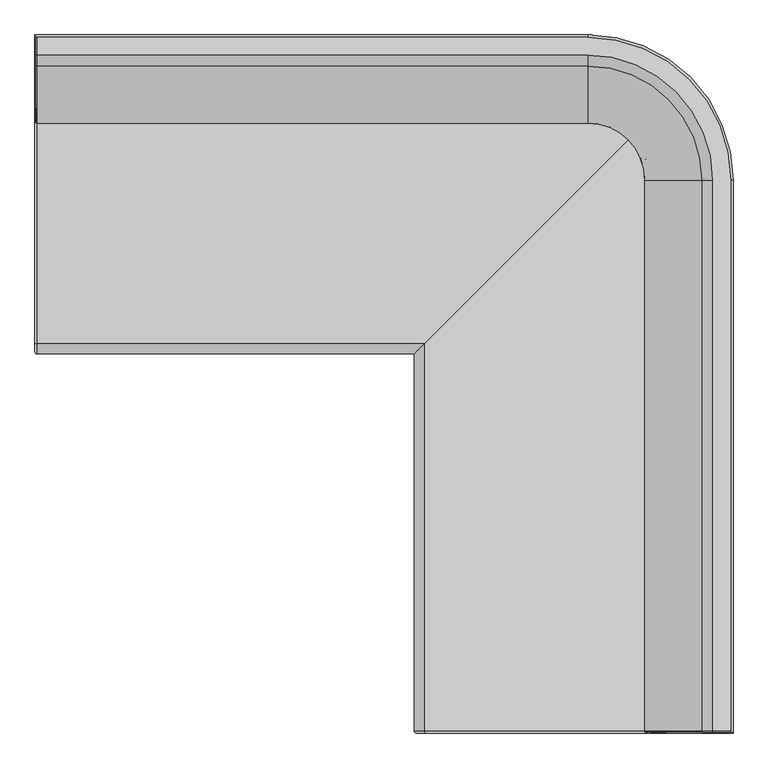
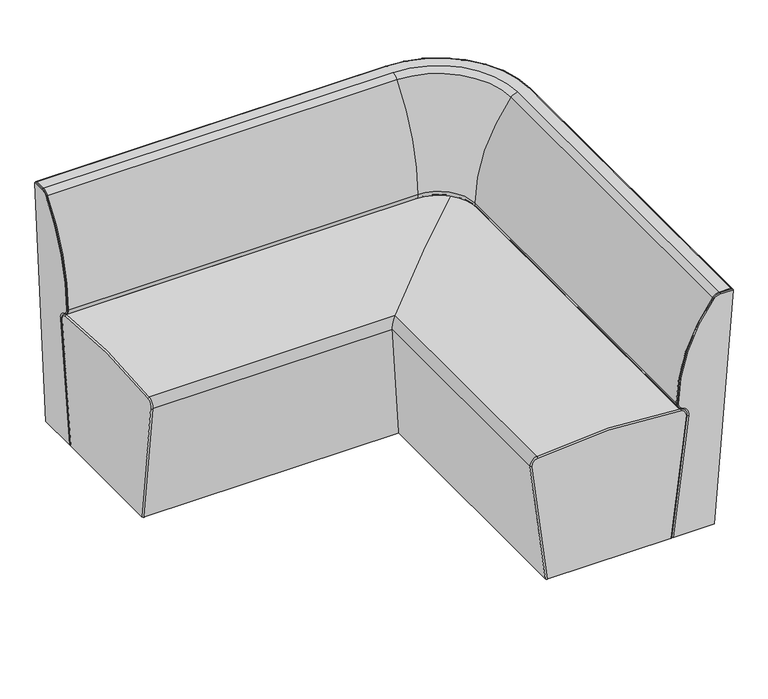
"""IFC4 building model written with IfcOpenShell, lengths in millimetres: furniture geometry."""

from ifc_helpers import new_model, si_unit, point, frame, origin, place, context, project, spatial, polyline, circle_curve, ellipse_curve, trimmed, source, transform, mapped, element, save
from ifc_brep_helpers import plane_surface, cylinder_surface, revolved_surface, advanced_brep


def furniture_d615f95f(model_context):
    return source(origin(), model_context, "Body", "AdvancedBrep", [
        advanced_brep(
        [(-399.9975131, 200.6246209, 29.9999993), (-399.9975131, -200.6246209, 29.9999993), (-399.9975131, -250.4771611, 434.6009414), (-399.9975131, -233.381042, 456.8562391), (-399.9975131, 233.3810207, 456.8556599), (-399.9975131, 250.4770906, 434.600369), (433.5008898, -205.6624322, 29.9999993), (383.7236884, -255.4396336, 433.9894948), (-394.9975131, -255.4396336, 433.9894948), (-394.9975131, -205.6624322, 29.9999993), (405.0938373, -234.0694847, 461.808617), (-394.9975131, -234.0694847, 461.808617), (873.2327977, 234.0694757, 461.8080361), (-394.9975131, 234.0694757, 461.8080361), (894.602885, 255.439563, 433.9889224), (844.8257542, 205.6624322, 29.9999993), (-394.9975131, 205.6624322, 29.9999993), (-394.9975131, 255.439563, 433.9889224), (844.8257542, -1034.1640683, 29.9999993), (839.7879429, -1039.1640683, 29.9999993), (438.5387011, -1039.1640683, 29.9999993), (433.5008898, -1034.1640683, 29.9999993), (889.6404126, -1039.1640683, 434.600369), (872.5443427, -1039.1640683, 456.8556599), (405.78228, -1039.1640683, 456.8562391), (388.6861609, -1039.1640683, 434.6009414), (383.7236884, -1034.1640683, 433.9894948), (405.0938373, -1034.1640683, 461.808617), (873.2327977, -1034.1640683, 461.8080361), (894.602885, -1034.1640683, 433.9889224)],
        [
            (0, 1),
            (1, 2),
            (2, 3, circle_curve(frame((-399.9975131, -230.6272712, 437.0467276), z_axis=(-1.0, 0.0, 0.0), x_axis=(0.0, -0.13768854289434776, 0.9904755752443527)), 20.0)),
            (3, 4, circle_curve(frame((-399.9975131, -0.002094, -1221.9773294), z_axis=(-1.0, 0.0, 0.0), x_axis=(0.0, 0.1376910010934841, 0.9904752335206944)), 1694.9772519)),
            (4, 5, circle_curve(frame((-399.9975131, 230.6272006, 437.0461553), z_axis=(-1.0, 0.0, 0.0), x_axis=(0.0, 0.9924944955138317, -0.12228931422959535)), 20.0)),
            (5, 0),
            (6, 7),
            (7, 8),
            (8, 9),
            (9, 6),
            (7, 10, ellipse_curve(frame((408.5360508, -230.6272712, 437.0467276), z_axis=(-0.7071067811865469, 0.707106781186548, 0.0), x_axis=(-0.7071067811865481, -0.7071067811865468, 0.0)), 35.3553391, 25.0)),
            (10, 11),
            (11, 8, circle_curve(frame((-394.9975131, -230.6272712, 437.0467276), z_axis=(1.0, 0.0, 0.0), x_axis=(0.0, -1.0, 0.0)), 25.0)),
            (10, 12, ellipse_curve(frame((639.161228, -0.002094, -1221.9773294), z_axis=(-0.7071067811865469, 0.707106781186548, 0.0), x_axis=(-0.7071067811865481, -0.7071067811865468, 0.0)), 2404.1308853, 1699.9772519)),
            (12, 13),
            (13, 11, circle_curve(frame((-394.9975131, -0.002094, -1221.9773294), z_axis=(1.0, 0.0, 0.0), x_axis=(0.0, -1.0, 0.0)), 1699.9772519)),
            (14, 15),
            (15, 16),
            (16, 17),
            (17, 14),
            (15, 18),
            (18, 19, ellipse_curve(frame((839.7879429, -1034.1640683, 29.9999993), z_axis=(0.0, 0.0, -1.0), x_axis=(-0.9999999999999999, 0.0, 0.0)), 5.0378113, 5.0)),
            (19, 20),
            (20, 21, ellipse_curve(frame((438.5387011, -1034.1640683, 29.9999993), z_axis=(0.0, 0.0, -1.0), x_axis=(-1.0, 0.0, 0.0)), 5.0378113, 5.0)),
            (21, 6),
            (9, 1, ellipse_curve(frame((-394.9975131, -200.6246209, 29.9999993), z_axis=(0.0, 0.0, -1.0), x_axis=(0.0, 0.9999999999999999, 0.0)), 5.0378113, 5.0)),
            (0, 16, ellipse_curve(frame((-394.9975131, 200.6246209, 29.9999993), z_axis=(0.0, 0.0, -1.0), x_axis=(0.0, 1.0, 0.0)), 5.0378113, 5.0)),
            (19, 22),
            (22, 23, circle_curve(frame((869.7905226, -1039.1640683, 437.0461553), z_axis=(0.0, -1.0, 0.0), x_axis=(0.1376910010939182, 0.0, 0.990475233520634)), 20.0)),
            (23, 24, circle_curve(frame((639.161228, -1039.1640683, -1221.9773294), z_axis=(0.0, -1.0, 0.0), x_axis=(-0.13768854289479135, 0.0, 0.990475575244291)), 1694.9772519)),
            (24, 25, circle_curve(frame((408.5360508, -1039.1640683, 437.0467276), z_axis=(0.0, -1.0, 0.0), x_axis=(-0.9924944955138303, 0.0, -0.12228931422960694)), 20.0)),
            (25, 20),
            (21, 26),
            (26, 7),
            (26, 27, circle_curve(frame((408.5360508, -1034.1640683, 437.0467276), z_axis=(0.0, 1.0, 0.0), x_axis=(-1.0, 0.0, 0.0)), 25.0)),
            (27, 10),
            (27, 28, circle_curve(frame((639.161228, -1034.1640683, -1221.9773294), z_axis=(0.0, 1.0, 0.0), x_axis=(-1.0, 0.0, 0.0)), 1699.9772519)),
            (28, 12),
            (14, 29),
            (29, 18),
            (12, 14, ellipse_curve(frame((869.7905226, 230.6272006, 437.0461553), z_axis=(-0.7071067811865469, 0.707106781186548, 0.0), x_axis=(-0.7071067811865481, -0.7071067811865468, 0.0)), 35.3553391, 25.0)),
            (17, 13, circle_curve(frame((-394.9975131, 230.6272006, 437.0461553), z_axis=(1.0, 0.0, 0.0), x_axis=(0.0, -1.0, 0.0)), 25.0)),
            (28, 29, circle_curve(frame((869.7905226, -1034.1640683, 437.0461553), z_axis=(0.0, 1.0, 0.0), x_axis=(-1.0, 0.0, 0.0)), 25.0)),
            (25, 26, circle_curve(frame((388.6861609, -1034.1640683, 434.6009414), z_axis=(0.12228931422960015, 0.0, -0.9924944955138312), x_axis=(-0.9924944955138312, 0.0, -0.12228931422960015)), 5.0)),
            (24, 27, circle_curve(frame((405.78228, -1034.1640683, 456.8562391), z_axis=(-0.9904755752442923, 0.0, -0.13768854289478216), x_axis=(-0.13768854289478216, 0.0, 0.9904755752442923)), 5.0)),
            (23, 28, circle_curve(frame((872.5443427, -1034.1640683, 456.8556599), z_axis=(-0.9904752335206947, 0.0, 0.13769100109348248), x_axis=(0.13769100109348248, 0.0, 0.9904752335206947)), 5.0)),
            (22, 29, circle_curve(frame((889.6404126, -1034.1640683, 434.600369), z_axis=(0.12228931422960554, 0.0, 0.9924944955138304), x_axis=(0.9924944955138304, 0.0, -0.12228931422960554)), 5.0)),
            (5, 17, circle_curve(frame((-394.9975131, 250.4770906, 434.600369), z_axis=(0.0, -0.12228931422960013, -0.9924944955138313), x_axis=(0.0, 0.9924944955138313, -0.12228931422960013)), 5.0)),
            (4, 13, circle_curve(frame((-394.9975131, 233.3810207, 456.8556599), z_axis=(0.0, 0.9904752335206188, -0.13769100109402907), x_axis=(0.0, 0.13769100109402907, 0.9904752335206188)), 5.0)),
            (3, 11, circle_curve(frame((-394.9975131, -233.381042, 456.8562391), z_axis=(0.0, 0.9904755752442918, 0.13768854289478633), x_axis=(0.0, -0.13768854289478633, 0.9904755752442918)), 5.0)),
            (2, 8, circle_curve(frame((-394.9975131, -250.4771611, 434.6009414), z_axis=(0.0, -0.12228931422959136, 0.9924944955138322), x_axis=(0.0, -0.9924944955138322, -0.12228931422959136)), 5.0)),
        ],
        [
            plane_surface(frame((-399.9975131, 0.0, 0.0), z_axis=(-1.0, 0.0, 0.0), x_axis=(0.0, 0.0, 1.0))),
            plane_surface(frame((-399.9975131, -205.6624322, 29.9999993), z_axis=(0.0, -0.9924944955138312, -0.12228931422960011), x_axis=(1.0, 0.0, 0.0))),
            cylinder_surface(frame((-399.9975131, -230.6272712, 437.0467276), z_axis=(-1.0, 0.0, 0.0), x_axis=(0.0, -1.0, 0.0)), 25.0),
            cylinder_surface(frame((-399.9975131, -0.002094, -1221.9773294), z_axis=(-1.0, 0.0, 0.0), x_axis=(0.0, -1.0, 0.0)), 1699.9772519),
            plane_surface(frame((-399.9975131, 255.439563, 433.9889224), z_axis=(0.0, 0.9924944955138312, -0.12228931422960011), x_axis=(1.0, 0.0, 0.0))),
            plane_surface(frame((-399.9975131, 205.6624322, 29.9999993), z_axis=(0.0, 0.0, -1.0), x_axis=(1.0, 0.0, 0.0))),
            plane_surface(frame((639.163322, -1039.1640683, 0.0), z_axis=(0.0, -1.0, 0.0), x_axis=(0.0, 0.0, 1.0))),
            plane_surface(frame((433.5008898, -205.6624322, 29.9999993), z_axis=(-0.9924944955138312, 0.0, -0.12228931422960011), x_axis=(0.0, -1.0, 0.0))),
            cylinder_surface(frame((408.5360508, 0.0, 437.0467276), z_axis=(0.0, 1.0, 0.0), x_axis=(-1.0, 0.0, 0.0)), 25.0),
            cylinder_surface(frame((639.161228, 0.0, -1221.9773294), z_axis=(0.0, 1.0, 0.0), x_axis=(-1.0, 0.0, 0.0)), 1699.9772519),
            plane_surface(frame((894.602885, 255.439563, 433.9889224), z_axis=(0.9924944955138312, 0.0, -0.12228931422960011), x_axis=(0.0, -1.0, 0.0))),
            cylinder_surface(frame((-399.9975131, 230.6272006, 437.0461553), z_axis=(-1.0, 0.0, 0.0), x_axis=(0.0, -1.0, 0.0)), 25.0),
            cylinder_surface(frame((869.7905226, 0.0, 437.0461553), z_axis=(0.0, 1.0, 0.0), x_axis=(-1.0, 0.0, 0.0)), 25.0),
            cylinder_surface(frame((440.0476729, -1034.1640683, 17.7532532), z_axis=(-0.12228931422960015, 0.0, 0.9924944955138312), x_axis=(-0.9924944955138312, 0.0, -0.12228931422960015)), 5.0),
            revolved_surface(trimmed(ellipse_curve(frame((388.6861609, -1034.1640683, 434.6009414), z_axis=(0.12228931422960695, 0.0, -0.9924944955138303), x_axis=(-0.9924944955138303, 0.0, -0.12228931422960695)), 5.0, 5.0), [point((388.6861609, -1039.1640683, 434.6009414))], [point((383.7236884, -1034.1640683, 433.9894948))], True, "CARTESIAN"), (408.5360508, -1039.1640683, 437.0467276), (0.0, 1.0, 0.0)),
            revolved_surface(trimmed(ellipse_curve(frame((405.78228, -1034.1640683, 456.8562391), z_axis=(-0.990475575244291, 0.0, -0.13768854289479157), x_axis=(-0.13768854289479157, 0.0, 0.990475575244291)), 5.0, 5.0), [point((405.78228, -1039.1640683, 456.8562391))], [point((405.0938373, -1034.1640683, 461.808617))], True, "CARTESIAN"), (639.161228, -1039.1640683, -1221.9773294), (0.0, 1.0, 0.0)),
            revolved_surface(trimmed(ellipse_curve(frame((872.5443427, -1034.1640683, 456.8556599), z_axis=(-0.990475233520634, 0.0, 0.13769100109391827), x_axis=(0.13769100109391827, 0.0, 0.990475233520634)), 5.0, 5.0), [point((872.5443427, -1039.1640683, 456.8556599))], [point((873.2327977, -1034.1640683, 461.8080361))], True, "CARTESIAN"), (869.7905226, -1039.1640683, 437.0461553), (0.0, 1.0, 0.0)),
            cylinder_surface(frame((889.6404126, -1034.1640683, 434.600369), z_axis=(-0.12228931422960028, 0.0, -0.9924944955138312), x_axis=(0.9924944955138312, 0.0, -0.12228931422960028)), 5.0),
            cylinder_surface(frame((-394.9975131, 197.2812389, 2.8652634), z_axis=(0.0, 0.12228931422960013, 0.9924944955138313), x_axis=(0.0, 0.9924944955138313, -0.12228931422960013)), 5.0),
            revolved_surface(trimmed(ellipse_curve(frame((-394.9975131, 250.4770906, 434.600369), z_axis=(0.0, -0.12228931422959534, -0.9924944955138317), x_axis=(0.0, 0.9924944955138317, -0.12228931422959534)), 5.0, 5.0), [point((-399.9975131, 250.4770906, 434.600369))], [point((-394.9975131, 255.439563, 433.9889224))], True, "CARTESIAN"), (-399.9975131, 230.6272006, 437.0461553), (1.0, 0.0, 0.0)),
            revolved_surface(trimmed(ellipse_curve(frame((-394.9975131, 233.3810207, 456.8556599), z_axis=(0.0, 0.9904752335206944, -0.13769100109348406), x_axis=(0.0, 0.13769100109348406, 0.9904752335206944)), 5.0, 5.0), [point((-399.9975131, 233.3810207, 456.8556599))], [point((-394.9975131, 234.0694757, 461.8080361))], True, "CARTESIAN"), (-399.9975131, -0.002094, -1221.9773294), (1.0, 0.0, 0.0)),
            revolved_surface(trimmed(ellipse_curve(frame((-394.9975131, -233.381042, 456.8562391), z_axis=(0.0, 0.9904755752443527, 0.13768854289434787), x_axis=(0.0, -0.13768854289434787, 0.9904755752443527)), 5.0, 5.0), [point((-399.9975131, -233.381042, 456.8562391))], [point((-394.9975131, -234.0694847, 461.808617))], True, "CARTESIAN"), (-399.9975131, -230.6272712, 437.0467276), (1.0, 0.0, 0.0)),
            cylinder_surface(frame((-394.9975131, -250.4771611, 434.6009414), z_axis=(0.0, 0.12228931422960028, -0.9924944955138312), x_axis=(0.0, -0.9924944955138312, -0.12228931422960028)), 5.0),
        ],
        [
            (0, [[1, 2, 3, 4, 5, 6]]),
            (1, [[7, 8, 9, 10]]),
            (2, [[11, 12, 13, -8]]),
            (3, [[14, 15, 16, -12]]),
            (4, [[17, 18, 19, 20]]),
            (5, [[21, 22, 23, 24, 25, -10, 26, -1, 27, -18]]),
            (6, [[-23, 28, 29, 30, 31, 32]]),
            (7, [[-7, -25, 33, 34]]),
            (8, [[-11, -34, 35, 36]]),
            (9, [[-14, -36, 37, 38]]),
            (10, [[-17, 39, 40, -21]]),
            (11, [[41, -20, 42, -15]]),
            (12, [[-41, -38, 43, -39]]),
            (13, [[44, -33, -24, -32]]),
            (14, [[-44, -31, 45, -35]]),
            (15, [[-45, -30, 46, -37]]),
            (16, [[-46, -29, 47, -43]]),
            (17, [[-47, -28, -22, -40]]),
            (18, [[48, -19, -27, -6]]),
            (19, [[-48, -5, 49, -42]]),
            (20, [[-49, -4, 50, -16]]),
            (21, [[-50, -3, 51, -13]]),
            (22, [[-51, -2, -26, -9]]),
        ],
    ),
        advanced_brep(
        [(742.9848587, 398.8362795, 819.0000019), (1038.0002721, 103.820866, 819.0000019), (1038.0002721, -1037.1640683, 819.0000019), (1001.4091772, -1037.1640683, 819.0000019), (1001.4091772, 103.820866, 819.0000019), (742.9848587, 362.2451846, 819.0000019), (-398.0, 362.2451846, 819.0000019), (-398.0, 398.8362795, 819.0000019), (742.9848587, 339.7994702, 808.3627333), (-398.0, 339.7994702, 808.3627333), (742.9848587, 222.5242259, 484.6817416), (-398.0, 222.5242259, 484.6817416), (742.9848587, 238.8931646, 461.6980838), (-398.0, 238.8931646, 461.6980838), (742.9848587, 238.5752492, 460.7499647), (-395.0, 238.5752492, 460.7499647), (742.9848587, 221.5242714, 484.6912749), (-395.0, 221.5242714, 484.6912749), (742.9848587, 339.02548, 808.9959309), (-395.0, 339.02548, 808.9959309), (742.9848587, 362.2451846, 820.0000019), (-395.0, 362.2451846, 820.0000019), (1001.4091772, 103.820866, 820.0000019), (1001.4091772, -1034.1640683, 820.0000019), (1038.0002721, -1034.1640683, 820.0000019), (1038.0002721, 103.820866, 820.0000019), (742.9848587, 398.8362795, 820.0000019), (-395.0, 398.8362795, 820.0000019), (978.9634628, 103.820866, 808.3627333), (861.6882185, 103.820866, 484.6817416), (878.0571572, 103.820866, 461.6980838), (877.7392418, 103.820866, 460.7499647), (860.688264, 103.820866, 484.6912749), (978.1894726, 103.820866, 808.9959309), (978.9634628, -1037.1640683, 808.3627333), (861.6882185, -1037.1640683, 484.6817416), (878.0571572, -1037.1640683, 461.6980838), (877.7392418, -1034.1640683, 460.7499647), (860.688264, -1034.1640683, 484.6912749), (978.1894726, -1034.1640683, 808.9959309)],
        [
            (0, 1, circle_curve(frame((742.9848587, 103.820866, 819.0000019), z_axis=(0.0, 0.0, -1.0), x_axis=(0.0, 1.0, 0.0)), 295.0154134)),
            (1, 2),
            (2, 3),
            (3, 4),
            (4, 5, circle_curve(frame((742.9848587, 103.820866, 819.0000019), z_axis=(0.0, 0.0, 1.0), x_axis=(0.0, 1.0, 0.0)), 258.4243185)),
            (5, 6),
            (6, 7),
            (7, 0),
            (5, 8, circle_curve(frame((742.9848587, 362.2451846, 790.0000019), z_axis=(1.0, 0.0, 0.0), x_axis=(0.0, -1.0, 0.0)), 29.0)),
            (8, 9),
            (9, 6, circle_curve(frame((-398.0, 362.2451846, 790.0000019), z_axis=(-1.0, 0.0, 0.0), x_axis=(0.0, -1.0, 0.0)), 29.0)),
            (8, 10, circle_curve(frame((742.9848587, 741.4993946, 479.7339502), z_axis=(1.0, 0.0, 0.0), x_axis=(0.0, -1.0, 0.0)), 518.9987537)),
            (10, 11),
            (11, 9, circle_curve(frame((-398.0, 741.4993946, 479.7339502), z_axis=(-1.0, 0.0, 0.0), x_axis=(0.0, -1.0, 0.0)), 518.9987537)),
            (10, 12, circle_curve(frame((742.9848587, 246.5231353, 484.4529414), z_axis=(1.0, 0.0, 0.0), x_axis=(0.0, -1.0, 0.0)), 24.0)),
            (12, 13),
            (13, 11, circle_curve(frame((-398.0, 246.5231353, 484.4529414), z_axis=(-1.0, 0.0, 0.0), x_axis=(0.0, -1.0, 0.0)), 24.0)),
            (12, 14),
            (14, 15),
            (15, 13, circle_curve(frame((-395.0, 240.1648264, 465.49056), z_axis=(0.0, 0.9481190698277024, -0.31791544383538883), x_axis=(-1.0, 0.0, 0.0)), 5.0)),
            (14, 16, circle_curve(frame((742.9848587, 246.5231353, 484.4529414), z_axis=(-1.0, 0.0, 0.0), x_axis=(0.0, -1.0, 0.0)), 25.0)),
            (16, 17),
            (17, 15, circle_curve(frame((-395.0, 246.5231353, 484.4529414), z_axis=(1.0, 0.0, 0.0), x_axis=(0.0, -1.0, 0.0)), 25.0)),
            (16, 18, circle_curve(frame((742.9848587, 741.4993946, 479.7339502), z_axis=(-1.0, 0.0, 0.0), x_axis=(0.0, -1.0, 0.0)), 519.9987537)),
            (18, 19),
            (19, 17, circle_curve(frame((-395.0, 741.4993946, 479.7339502), z_axis=(1.0, 0.0, 0.0), x_axis=(0.0, -1.0, 0.0)), 519.9987537)),
            (18, 20, circle_curve(frame((742.9848587, 362.2451846, 790.0000019), z_axis=(-1.0, 0.0, 0.0), x_axis=(0.0, -1.0, 0.0)), 30.0)),
            (20, 21),
            (21, 19, circle_curve(frame((-395.0, 362.2451846, 790.0000019), z_axis=(1.0, 0.0, 0.0), x_axis=(0.0, -1.0, 0.0)), 30.0)),
            (20, 22, circle_curve(frame((742.9848587, 103.820866, 820.0000019), z_axis=(0.0, 0.0, -1.0), x_axis=(0.0, 1.0, 0.0)), 258.4243185)),
            (22, 23),
            (23, 24),
            (24, 25),
            (25, 26, circle_curve(frame((742.9848587, 103.820866, 820.0000019), z_axis=(0.0, 0.0, 1.0), x_axis=(0.0, 1.0, 0.0)), 295.0154134)),
            (26, 27),
            (27, 21),
            (26, 0),
            (7, 27, circle_curve(frame((-395.0, 398.8362795, 815.0000019), z_axis=(0.0, 1.0, 0.0), x_axis=(-1.0, 0.0, 0.0)), 5.0)),
            (4, 28, circle_curve(frame((1001.4091772, 103.820866, 790.0000019), z_axis=(0.0, -1.0, 0.0), x_axis=(-1.0, 0.0, 0.0)), 29.0)),
            (28, 8, circle_curve(frame((742.9848587, 103.820866, 808.3627333), z_axis=(0.0, 0.0, 1.0), x_axis=(0.0, 1.0, 0.0)), 235.9786041)),
            (28, 29, circle_curve(frame((1380.6633872, 103.820866, 479.7339502), z_axis=(0.0, -1.0, 0.0), x_axis=(-1.0, 0.0, 0.0)), 518.9987537)),
            (29, 10, circle_curve(frame((742.9848587, 103.820866, 484.6817416), z_axis=(0.0, 0.0, 1.0), x_axis=(0.0, 1.0, 0.0)), 118.7033599)),
            (29, 30, circle_curve(frame((885.6871279, 103.820866, 484.4529414), z_axis=(0.0, -1.0, 0.0), x_axis=(-1.0, 0.0, 0.0)), 24.0)),
            (30, 12, circle_curve(frame((742.9848587, 103.820866, 461.6980838), z_axis=(0.0, 0.0, 1.0), x_axis=(0.0, 1.0, 0.0)), 135.0722986)),
            (30, 31),
            (31, 14, circle_curve(frame((742.9848587, 103.820866, 460.7499647), z_axis=(0.0, 0.0, 1.0), x_axis=(0.0, 1.0, 0.0)), 134.7543832)),
            (31, 32, circle_curve(frame((885.6871279, 103.820866, 484.4529414), z_axis=(0.0, 1.0, 0.0), x_axis=(-1.0, 0.0, 0.0)), 25.0)),
            (32, 16, circle_curve(frame((742.9848587, 103.820866, 484.6912749), z_axis=(0.0, 0.0, 1.0), x_axis=(0.0, 1.0, 0.0)), 117.7034053)),
            (32, 33, circle_curve(frame((1380.6633872, 103.820866, 479.7339502), z_axis=(0.0, 1.0, 0.0), x_axis=(-1.0, 0.0, 0.0)), 519.9987537)),
            (33, 18, circle_curve(frame((742.9848587, 103.820866, 808.9959309), z_axis=(0.0, 0.0, 1.0), x_axis=(0.0, 1.0, 0.0)), 235.204614)),
            (33, 22, circle_curve(frame((1001.4091772, 103.820866, 790.0000019), z_axis=(0.0, 1.0, 0.0), x_axis=(-1.0, 0.0, 0.0)), 30.0)),
            (25, 1),
            (3, 34, circle_curve(frame((1001.4091772, -1037.1640683, 790.0000019), z_axis=(0.0, -1.0, 0.0), x_axis=(-1.0, 0.0, 0.0)), 29.0)),
            (34, 28),
            (34, 35, circle_curve(frame((1380.6633872, -1037.1640683, 479.7339502), z_axis=(0.0, -1.0, 0.0), x_axis=(-1.0, 0.0, 0.0)), 518.9987537)),
            (35, 29),
            (35, 36, circle_curve(frame((885.6871279, -1037.1640683, 484.4529414), z_axis=(0.0, -1.0, 0.0), x_axis=(-1.0, 0.0, 0.0)), 24.0)),
            (36, 30),
            (36, 37, circle_curve(frame((879.328819, -1034.1640683, 465.49056), z_axis=(0.9481190698276988, 0.0, -0.31791544383539977), x_axis=(0.0, -1.0, 0.0)), 5.0)),
            (37, 31),
            (37, 38, circle_curve(frame((885.6871279, -1034.1640683, 484.4529414), z_axis=(0.0, 1.0, 0.0), x_axis=(-1.0, 0.0, 0.0)), 25.0)),
            (38, 32),
            (38, 39, circle_curve(frame((1380.6633872, -1034.1640683, 479.7339502), z_axis=(0.0, 1.0, 0.0), x_axis=(-1.0, 0.0, 0.0)), 519.9987537)),
            (39, 33),
            (39, 23, circle_curve(frame((1001.4091772, -1034.1640683, 790.0000019), z_axis=(0.0, 1.0, 0.0), x_axis=(-1.0, 0.0, 0.0)), 30.0)),
            (24, 2, circle_curve(frame((1038.0002721, -1034.1640683, 815.0000019), z_axis=(1.0, 0.0, 0.0), x_axis=(0.0, -1.0, 0.0)), 5.0)),
            (17, 11, circle_curve(frame((-395.0, 226.5240442, 484.6436082), z_axis=(0.0, -0.009533339590970524, -0.9999545566855744), x_axis=(-1.0, 0.0, 0.0)), 5.0)),
            (19, 9, circle_curve(frame((-395.0, 342.8954308, 805.8299427), z_axis=(0.0, -0.6331976342837959, -0.7739901523516978), x_axis=(-1.0, 0.0, 0.0)), 5.0)),
            (21, 6, circle_curve(frame((-395.0, 362.2451846, 815.0000019), z_axis=(0.0, -1.0, 0.0), x_axis=(-1.0, 0.0, 0.0)), 5.0)),
            (23, 3, circle_curve(frame((1001.4091772, -1034.1640683, 815.0000019), z_axis=(1.0, 0.0, 0.0), x_axis=(0.0, -1.0, 0.0)), 5.0)),
            (39, 34, circle_curve(frame((982.0594234, -1034.1640683, 805.8299427), z_axis=(0.6331976342838822, 0.0, 0.7739901523516272), x_axis=(0.0, -1.0, 0.0)), 5.0)),
            (38, 35, circle_curve(frame((865.6880368, -1034.1640683, 484.6436082), z_axis=(0.009533339590976297, 0.0, 0.9999545566855741), x_axis=(0.0, -1.0, 0.0)), 5.0)),
        ],
        [
            plane_surface(frame((-400.0, 398.8362795, 819.0000019), z_axis=(0.0, 0.0, -1.0), x_axis=(1.0, 0.0, 0.0))),
            revolved_surface(polyline([(742.9848587000001, 333.2451846, 790.0000019), (-398.0, 333.2451846, 790.0000019)]), (-400.0, 362.2451846, 790.0000019), (1.0, 0.0, 0.0)),
            revolved_surface(polyline([(742.9848587000001, 222.5006409, 479.7339502), (-398.0, 222.5006409, 479.7339502)]), (-400.0, 741.4993946, 479.7339502), (1.0, 0.0, 0.0)),
            revolved_surface(polyline([(742.9848587000001, 222.5231353, 484.4529414), (-398.0, 222.5231353, 484.4529414)]), (-400.0, 246.5231353, 484.4529414), (1.0, 0.0, 0.0)),
            plane_surface(frame((-400.0, 238.8931646, 461.6980838), z_axis=(0.0, 0.9481190698277011, -0.317915443835393), x_axis=(1.0, 0.0, 0.0))),
            cylinder_surface(frame((-400.0, 246.5231353, 484.4529414), z_axis=(-1.0, 0.0, 0.0), x_axis=(0.0, -1.0, 0.0)), 25.0),
            cylinder_surface(frame((-400.0, 741.4993946, 479.7339502), z_axis=(-1.0, 0.0, 0.0), x_axis=(0.0, -1.0, 0.0)), 519.9987537),
            cylinder_surface(frame((-400.0, 362.2451846, 790.0000019), z_axis=(-1.0, 0.0, 0.0), x_axis=(0.0, -1.0, 0.0)), 30.0),
            plane_surface(frame((-400.0, 362.2451846, 820.0000019), z_axis=(0.0, 0.0, 1.0), x_axis=(1.0, 0.0, 0.0))),
            plane_surface(frame((-400.0, 398.8362795, 820.0000019), z_axis=(0.0, 1.0, 0.0), x_axis=(1.0, 0.0, 0.0))),
            revolved_surface(trimmed(ellipse_curve(frame((742.9848587, 362.2451846, 790.0000019), z_axis=(1.0, 0.0, 0.0), x_axis=(0.0, -1.0, 0.0)), 29.0, 29.0), [point((742.9848587, 362.2451846, 819.0000019))], [point((742.9848587, 339.7994702, 808.3627333))], True, "CARTESIAN"), (742.9848587, 103.820866, 0.0), (0.0, 0.0, -1.0)),
            revolved_surface(trimmed(ellipse_curve(frame((742.9848587, 741.4993946, 479.7339502), z_axis=(1.0, 0.0, 0.0), x_axis=(0.0, -1.0, 0.0)), 518.9987537, 518.9987537), [point((742.9848587, 339.7994702, 808.3627333))], [point((742.9848587, 222.5242259, 484.6817416))], True, "CARTESIAN"), (742.9848587, 103.820866, 0.0), (0.0, 0.0, -1.0)),
            revolved_surface(trimmed(ellipse_curve(frame((742.9848587, 246.5231353, 484.4529414), z_axis=(1.0, 0.0, 0.0), x_axis=(0.0, -1.0, 0.0)), 24.0, 24.0), [point((742.9848587, 222.5242259, 484.6817416))], [point((742.9848587, 238.8931646, 461.6980838))], True, "CARTESIAN"), (742.9848587, 103.820866, 0.0), (0.0, 0.0, -1.0)),
            revolved_surface(polyline([(742.9848587, 238.8931646, 461.6980838), (742.9848587, 238.5752492, 460.7499647)]), (742.9848587, 103.820866, 0.0), (0.0, 0.0, -1.0)),
            revolved_surface(trimmed(ellipse_curve(frame((742.9848587, 246.5231353, 484.4529414), z_axis=(-1.0, 0.0, 0.0), x_axis=(0.0, -1.0, 0.0)), 25.0, 25.0), [point((742.9848587, 238.5752492, 460.7499647))], [point((742.9848587, 221.5242714, 484.6912749))], True, "CARTESIAN"), (742.9848587, 103.820866, 0.0), (0.0, 0.0, -1.0)),
            revolved_surface(trimmed(ellipse_curve(frame((742.9848587, 741.4993946, 479.7339502), z_axis=(-1.0, 0.0, 0.0), x_axis=(0.0, -1.0, 0.0)), 519.9987537, 519.9987537), [point((742.9848587, 221.5242714, 484.6912749))], [point((742.9848587, 339.02548, 808.9959309))], True, "CARTESIAN"), (742.9848587, 103.820866, 0.0), (0.0, 0.0, -1.0)),
            revolved_surface(trimmed(ellipse_curve(frame((742.9848587, 362.2451846, 790.0000019), z_axis=(-1.0, 0.0, 0.0), x_axis=(0.0, -1.0, 0.0)), 30.0, 30.0), [point((742.9848587, 339.02548, 808.9959309))], [point((742.9848587, 362.2451846, 820.0000019))], True, "CARTESIAN"), (742.9848587, 103.820866, 0.0), (0.0, 0.0, -1.0)),
            cylinder_surface(frame((742.9848587, 103.820866, 0.0), z_axis=(0.0, 0.0, -1.0), x_axis=(0.0, 1.0, 0.0)), 295.0154134),
            revolved_surface(polyline([(972.4091772, -1037.1640683, 790.0000019), (972.4091772, 103.820866, 790.0000019)]), (1001.4091772, 103.820866, 790.0000019), (0.0, -1.0, 0.0)),
            revolved_surface(polyline([(861.6646335, -1037.1640683, 479.7339502), (861.6646335, 103.820866, 479.7339502)]), (1380.6633872, 103.820866, 479.7339502), (0.0, -1.0, 0.0)),
            revolved_surface(polyline([(861.6871279, -1037.1640683, 484.4529414), (861.6871279, 103.820866, 484.4529414)]), (885.6871279, 103.820866, 484.4529414), (0.0, -1.0, 0.0)),
            plane_surface(frame((878.0571572, 103.820866, 461.6980838), z_axis=(0.9481190698277011, 0.0, -0.317915443835393), x_axis=(0.0, -1.0, 0.0))),
            cylinder_surface(frame((885.6871279, 103.820866, 484.4529414), z_axis=(0.0, 1.0, 0.0), x_axis=(-1.0, 0.0, 0.0)), 25.0),
            cylinder_surface(frame((1380.6633872, 103.820866, 479.7339502), z_axis=(0.0, 1.0, 0.0), x_axis=(-1.0, 0.0, 0.0)), 519.9987537),
            cylinder_surface(frame((1001.4091772, 103.820866, 790.0000019), z_axis=(0.0, 1.0, 0.0), x_axis=(-1.0, 0.0, 0.0)), 30.0),
            plane_surface(frame((1038.0002721, 103.820866, 820.0000019), z_axis=(1.0, 0.0, 0.0), x_axis=(0.0, -1.0, 0.0))),
            revolved_surface(trimmed(ellipse_curve(frame((-395.0, 240.1648264, 465.49056), z_axis=(0.0, 0.9481190698277024, -0.31791544383538883), x_axis=(-1.0, 0.0, 0.0)), 5.0, 5.0), [point((-395.0, 238.5752492, 460.7499647))], [point((-400.0, 240.1648264, 465.49056))], True, "CARTESIAN"), (-400.0, 246.5231353, 484.4529414), (-1.0, 0.0, 0.0)),
            revolved_surface(trimmed(ellipse_curve(frame((-395.0, 226.5240442, 484.6436082), z_axis=(0.0, -0.009533339590976074, -0.9999545566855742), x_axis=(-1.0, 0.0, 0.0)), 5.0, 5.0), [point((-395.0, 221.5242714, 484.6912749))], [point((-400.0, 226.5240442, 484.6436082))], True, "CARTESIAN"), (-400.0, 741.4993946, 479.7339502), (-1.0, 0.0, 0.0)),
            revolved_surface(trimmed(ellipse_curve(frame((-395.0, 342.8954308, 805.8299427), z_axis=(0.0, -0.6331976342837954, -0.7739901523516982), x_axis=(-1.0, 0.0, 0.0)), 5.0, 5.0), [point((-395.0, 339.02548, 808.9959309))], [point((-400.0, 342.8954308, 805.8299427))], True, "CARTESIAN"), (-400.0, 362.2451846, 790.0000019), (-1.0, 0.0, 0.0)),
            cylinder_surface(frame((-395.0, 362.2451846, 815.0000019), z_axis=(0.0, 1.0, 0.0), x_axis=(-1.0, 0.0, 0.0)), 5.0),
            cylinder_surface(frame((1046.4091772, -1034.1640683, 815.0000019), z_axis=(-1.0, 0.0, 0.0), x_axis=(0.0, -1.0, 0.0)), 5.0),
            revolved_surface(trimmed(ellipse_curve(frame((1001.4091772, -1034.1640683, 815.0000019), z_axis=(1.0, 0.0, 0.0), x_axis=(0.0, -1.0, 0.0)), 5.0, 5.0), [point((1001.4091772, -1034.1640683, 820.0000019))], [point((1001.4091772, -1039.1640683, 815.0000019))], True, "CARTESIAN"), (1001.4091772, -1039.1640683, 790.0000019), (0.0, -1.0, 0.0)),
            revolved_surface(trimmed(ellipse_curve(frame((982.0594234, -1034.1640683, 805.8299427), z_axis=(0.6331976342838012, 0.0, 0.7739901523516934), x_axis=(0.0, -1.0, 0.0)), 5.0, 5.0), [point((978.1894726, -1034.1640683, 808.9959309))], [point((982.0594234, -1039.1640683, 805.8299427))], True, "CARTESIAN"), (1380.6633872, -1039.1640683, 479.7339502), (0.0, -1.0, 0.0)),
            revolved_surface(trimmed(ellipse_curve(frame((865.6880368, -1034.1640683, 484.6436082), z_axis=(0.009533339590970911, 0.0, 0.9999545566855742), x_axis=(0.0, -1.0, 0.0)), 5.0, 5.0), [point((860.688264, -1034.1640683, 484.6912749))], [point((865.6880368, -1039.1640683, 484.6436082))], True, "CARTESIAN"), (885.6871279, -1039.1640683, 484.4529414), (0.0, -1.0, 0.0)),
        ],
        [
            (0, [[1, 2, 3, 4, 5, 6, 7, 8]]),
            (1, [[9, 10, 11, -6]]),
            (2, [[12, 13, 14, -10]]),
            (3, [[15, 16, 17, -13]]),
            (4, [[18, 19, 20, -16]]),
            (5, [[21, 22, 23, -19]]),
            (6, [[24, 25, 26, -22]]),
            (7, [[27, 28, 29, -25]]),
            (8, [[30, 31, 32, 33, 34, 35, 36, -28]]),
            (9, [[37, -8, 38, -35]]),
            (10, [[-5, 39, 40, -9]]),
            (11, [[-12, -40, 41, 42]]),
            (12, [[-15, -42, 43, 44]]),
            (13, [[-18, -44, 45, 46]]),
            (14, [[-21, -46, 47, 48]]),
            (15, [[-24, -48, 49, 50]]),
            (16, [[-27, -50, 51, -30]]),
            (17, [[-1, -37, -34, 52]]),
            (18, [[-39, -4, 53, 54]]),
            (19, [[-41, -54, 55, 56]]),
            (20, [[-43, -56, 57, 58]]),
            (21, [[-45, -58, 59, 60]]),
            (22, [[-47, -60, 61, 62]]),
            (23, [[-49, -62, 63, 64]]),
            (24, [[-51, -64, 65, -31]]),
            (25, [[-52, -33, 66, -2]]),
            (26, [[67, -17, -20, -23]]),
            (27, [[68, -14, -67, -26]]),
            (28, [[69, -11, -68, -29]]),
            (29, [[-69, -36, -38, -7]]),
            (30, [[70, -3, -66, -32]]),
            (31, [[-70, -65, 71, -53]]),
            (32, [[-71, -63, 72, -55]]),
            (33, [[-72, -61, -59, -57]]),
        ],
    ),
        advanced_brep(
        [(-400.0, 403.820866, 814.6077051), (-400.0, 342.0706994, 29.9999993), (-400.0, 210.8735313, 29.9999993), (-400.0, 260.4037473, 433.3909047), (-400.0, 240.1648264, 465.49056), (-400.0, 226.5240442, 484.6436082), (-400.0, 342.8954308, 805.8299427), (-400.0, 362.2451846, 815.0000019), (-400.0, 403.8362795, 815.0000019), (742.9848587, 342.0706994, 29.9999993), (981.234692, 103.820866, 29.9999993), (981.234692, -1039.1640683, 29.9999993), (850.0375239, -1039.1640683, 29.9999993), (844.9999747, -1034.1640683, 29.9999993), (844.9999747, 103.820866, 29.9999993), (742.9848587, 205.8359821, 29.9999993), (-395.0, 205.8359821, 29.9999993), (742.9848587, 255.4410166, 434.0002519), (-395.0, 255.4410166, 434.0002519), (742.9848587, 238.5752492, 460.7499647), (-395.0, 238.5752492, 460.7499647), (742.9848587, 398.8362795, 820.0000019), (742.9848587, 403.820866, 814.6077051), (-395.0, 398.8362795, 820.0000019), (1042.9848587, -1039.1640683, 814.6077051), (1043.0002721, -1039.1640683, 815.0000019), (1001.4091772, -1039.1640683, 815.0000019), (982.0594234, -1039.1640683, 805.8299427), (865.6880368, -1039.1640683, 484.6436082), (879.328819, -1039.1640683, 465.49056), (899.5677399, -1039.1640683, 433.3909047), (894.6050092, 103.820866, 434.0002519), (894.6050092, -1034.1640683, 434.0002519), (877.7392418, 103.820866, 460.7499647), (877.7392418, -1034.1640683, 460.7499647), (1042.9848587, 103.820866, 814.6077051), (1038.0002721, 103.820866, 820.0000019), (1038.0002721, -1034.1640683, 820.0000019), (742.9848587, 238.8931646, 461.6980838), (-398.0, 238.8931646, 461.6980838), (742.9848587, 222.5242259, 484.6817416), (-398.0, 222.5242259, 484.6817416), (742.9848587, 339.7994702, 808.3627333), (-398.0, 339.7994702, 808.3627333), (742.9848587, 362.2451846, 819.0000019), (-398.0, 362.2451846, 819.0000019), (1001.4091772, 103.820866, 819.0000019), (1001.4091772, -1037.1640683, 819.0000019), (1038.0002721, -1037.1640683, 819.0000019), (1038.0002721, 103.820866, 819.0000019), (742.9848587, 398.8362795, 819.0000019), (-398.0, 398.8362795, 819.0000019), (878.0571572, 103.820866, 461.6980838), (878.0571572, -1037.1640683, 461.6980838), (861.6882185, 103.820866, 484.6817416), (861.6882185, -1037.1640683, 484.6817416), (978.9634628, 103.820866, 808.3627333), (978.9634628, -1037.1640683, 808.3627333)],
        [
            (0, 1),
            (1, 2),
            (2, 3),
            (3, 4, circle_curve(frame((-400.0, 230.6273631, 437.046988), z_axis=(1.0, 0.0, 0.0), x_axis=(0.0, 0.9925461394852125, -0.12186944240867392)), 30.0)),
            (4, 5, circle_curve(frame((-400.0, 246.5231353, 484.4529414), z_axis=(-1.0, 0.0, 0.0), x_axis=(0.0, -0.317915443835389, -0.9481190698277024)), 20.0)),
            (5, 6, circle_curve(frame((-400.0, 741.4993946, 479.7339502), z_axis=(-1.0, 0.0, 0.0), x_axis=(0.0, -0.9999545566855742, 0.00953333959097626)), 514.9987537)),
            (6, 7, circle_curve(frame((-400.0, 362.2451846, 790.0000019), z_axis=(-1.0, 0.0, 0.0), x_axis=(0.0, -0.7739901523516981, 0.6331976342837955)), 25.0)),
            (7, 8),
            (8, 0, circle_curve(frame((-400.0, 398.8362795, 815.0000019), z_axis=(-1.0, 0.0, 0.0), x_axis=(0.0, -1.0, 0.0)), 5.0)),
            (1, 9),
            (9, 10, circle_curve(frame((742.9848587, 103.820866, 29.9999993), z_axis=(0.0, 0.0, -1.0), x_axis=(0.0, 1.0, 0.0)), 238.2498333)),
            (10, 11),
            (11, 12),
            (12, 13, ellipse_curve(frame((850.0375239, -1034.1640683, 29.9999993), z_axis=(0.0, 0.0, -1.0), x_axis=(-1.0, 0.0, 0.0)), 5.0375492, 5.0)),
            (13, 14),
            (14, 15, circle_curve(frame((742.9848587, 103.820866, 29.9999993), z_axis=(0.0, 0.0, 1.0), x_axis=(0.0, 1.0, 0.0)), 102.015116)),
            (15, 16),
            (16, 2, ellipse_curve(frame((-395.0, 210.8735313, 29.9999993), z_axis=(0.0, 0.0, -1.0), x_axis=(0.0, 1.0, 0.0)), 5.0375492, 5.0)),
            (15, 17),
            (17, 18),
            (18, 16),
            (17, 19, circle_curve(frame((742.9848587, 230.6273631, 437.046988), z_axis=(1.0, 0.0, 0.0), x_axis=(0.0, -1.0, 0.0)), 25.0)),
            (19, 20),
            (20, 18, circle_curve(frame((-395.0, 230.6273631, 437.046988), z_axis=(-1.0, 0.0, 0.0), x_axis=(0.0, -1.0, 0.0)), 25.0)),
            (21, 22, circle_curve(frame((742.9848587, 398.8362795, 815.0000019), z_axis=(-1.0, 0.0, 0.0), x_axis=(0.0, -1.0, 0.0)), 5.0)),
            (22, 0),
            (8, 23, ellipse_curve(frame((-395.0, 398.8362795, 815.0000019), z_axis=(0.70710678118655, 0.707106781186545, 0.0), x_axis=(-0.7071067811865451, 0.70710678118655, 0.0)), 7.0710678, 5.0)),
            (23, 21),
            (22, 9),
            (11, 24),
            (24, 25, circle_curve(frame((1038.0002721, -1039.1640683, 815.0000019), z_axis=(0.0, -1.0, 0.0), x_axis=(-1.0, 0.0, 0.0)), 5.0)),
            (25, 26),
            (26, 27, circle_curve(frame((1001.4091772, -1039.1640683, 790.0000019), z_axis=(0.0, -1.0, 0.0), x_axis=(0.0, 0.0, 1.0)), 25.0)),
            (27, 28, circle_curve(frame((1380.6633872, -1039.1640683, 479.7339502), z_axis=(0.0, -1.0, 0.0), x_axis=(-0.7739901523516934, 0.0, 0.6331976342838012)), 514.9987537)),
            (28, 29, circle_curve(frame((885.6871279, -1039.1640683, 484.4529414), z_axis=(0.0, -1.0, 0.0), x_axis=(-0.9999545566855742, 0.0, 0.009533339590970932)), 20.0)),
            (29, 30, circle_curve(frame((869.7913557, -1039.1640683, 437.046988), z_axis=(0.0, 1.0, 0.0), x_axis=(0.31791544383540765, 0.0, 0.9481190698276961)), 30.0)),
            (30, 12),
            (31, 14),
            (13, 32),
            (32, 31),
            (33, 31, circle_curve(frame((869.7913557, 103.820866, 437.046988), z_axis=(0.0, 1.0, 0.0), x_axis=(-1.0, 0.0, 0.0)), 25.0)),
            (32, 34, circle_curve(frame((869.7913557, -1034.1640683, 437.046988), z_axis=(0.0, -1.0, 0.0), x_axis=(-1.0, 0.0, 0.0)), 25.0)),
            (34, 33),
            (35, 36, circle_curve(frame((1038.0002721, 103.820866, 815.0000019), z_axis=(0.0, -1.0, 0.0), x_axis=(-1.0, 0.0, 0.0)), 5.0)),
            (36, 37),
            (37, 25, ellipse_curve(frame((1038.0002721, -1034.1640683, 815.0000019), z_axis=(0.7071067811865493, 0.7071067811865456, 0.0), x_axis=(-0.7071067811865456, 0.7071067811865495, 0.0)), 7.0710678, 5.0)),
            (24, 35),
            (10, 35),
            (19, 38),
            (38, 39),
            (39, 20, circle_curve(frame((-395.0, 240.1648264, 465.49056), z_axis=(0.0, -0.9481190698276984, 0.3179154438354007), x_axis=(-1.0, 0.0, 0.0)), 5.0)),
            (38, 40, circle_curve(frame((742.9848587, 246.5231353, 484.4529414), z_axis=(-1.0, 0.0, 0.0), x_axis=(0.0, -1.0, 0.0)), 24.0)),
            (40, 41),
            (41, 39, circle_curve(frame((-398.0, 246.5231353, 484.4529414), z_axis=(1.0, 0.0, 0.0), x_axis=(0.0, -1.0, 0.0)), 24.0)),
            (40, 42, circle_curve(frame((742.9848587, 741.4993946, 479.7339502), z_axis=(-1.0, 0.0, 0.0), x_axis=(0.0, -1.0, 0.0)), 518.9987537)),
            (42, 43),
            (43, 41, circle_curve(frame((-398.0, 741.4993946, 479.7339502), z_axis=(1.0, 0.0, 0.0), x_axis=(0.0, -1.0, 0.0)), 518.9987537)),
            (42, 44, circle_curve(frame((742.9848587, 362.2451846, 790.0000019), z_axis=(-1.0, 0.0, 0.0), x_axis=(0.0, -1.0, 0.0)), 29.0)),
            (44, 45),
            (45, 43, circle_curve(frame((-398.0, 362.2451846, 790.0000019), z_axis=(1.0, 0.0, 0.0), x_axis=(0.0, -1.0, 0.0)), 29.0)),
            (44, 46, circle_curve(frame((742.9848587, 103.820866, 819.0000019), z_axis=(0.0, 0.0, -1.0), x_axis=(0.0, 1.0, 0.0)), 258.4243185)),
            (46, 47),
            (47, 48),
            (48, 49),
            (49, 50, circle_curve(frame((742.9848587, 103.820866, 819.0000019), z_axis=(0.0, 0.0, 1.0), x_axis=(0.0, 1.0, 0.0)), 295.0154134)),
            (50, 51),
            (51, 45),
            (50, 21),
            (23, 51, circle_curve(frame((-395.0, 398.8362795, 815.0000019), z_axis=(0.0, -1.0, 0.0), x_axis=(-1.0, 0.0, 0.0)), 5.0)),
            (52, 33),
            (34, 53, circle_curve(frame((879.328819, -1034.1640683, 465.49056), z_axis=(-0.9481190698276961, 0.0, 0.31791544383540765), x_axis=(0.0, -1.0, 0.0)), 5.0)),
            (53, 52),
            (54, 52, circle_curve(frame((885.6871279, 103.820866, 484.4529414), z_axis=(0.0, -1.0, 0.0), x_axis=(-1.0, 0.0, 0.0)), 24.0)),
            (53, 55, circle_curve(frame((885.6871279, -1037.1640683, 484.4529414), z_axis=(0.0, 1.0, 0.0), x_axis=(-1.0, 0.0, 0.0)), 24.0)),
            (55, 54),
            (56, 54, circle_curve(frame((1380.6633872, 103.820866, 479.7339502), z_axis=(0.0, -1.0, 0.0), x_axis=(-1.0, 0.0, 0.0)), 518.9987537)),
            (55, 57, circle_curve(frame((1380.6633872, -1037.1640683, 479.7339502), z_axis=(0.0, 1.0, 0.0), x_axis=(-1.0, 0.0, 0.0)), 518.9987537)),
            (57, 56),
            (46, 56, circle_curve(frame((1001.4091772, 103.820866, 790.0000019), z_axis=(0.0, -1.0, 0.0), x_axis=(-1.0, 0.0, 0.0)), 29.0)),
            (57, 47, circle_curve(frame((1001.4091772, -1037.1640683, 790.0000019), z_axis=(0.0, 1.0, 0.0), x_axis=(-1.0, 0.0, 0.0)), 29.0)),
            (36, 49),
            (48, 37, circle_curve(frame((1038.0002721, -1034.1640683, 815.0000019), z_axis=(-1.0, 0.0, 0.0), x_axis=(0.0, -1.0, 0.0)), 5.0)),
            (31, 17, circle_curve(frame((742.9848587, 103.820866, 434.0002519), z_axis=(0.0, 0.0, 1.0), x_axis=(0.0, 1.0, 0.0)), 151.6201505)),
            (33, 19, circle_curve(frame((742.9848587, 103.820866, 460.7499647), z_axis=(0.0, 0.0, 1.0), x_axis=(0.0, 1.0, 0.0)), 134.7543832)),
            (52, 38, circle_curve(frame((742.9848587, 103.820866, 461.6980838), z_axis=(0.0, 0.0, 1.0), x_axis=(0.0, 1.0, 0.0)), 135.0722986)),
            (54, 40, circle_curve(frame((742.9848587, 103.820866, 484.6817416), z_axis=(0.0, 0.0, 1.0), x_axis=(0.0, 1.0, 0.0)), 118.7033599)),
            (56, 42, circle_curve(frame((742.9848587, 103.820866, 808.3627333), z_axis=(0.0, 0.0, 1.0), x_axis=(0.0, 1.0, 0.0)), 235.9786041)),
            (36, 21, circle_curve(frame((742.9848587, 103.820866, 820.0000019), z_axis=(0.0, 0.0, 1.0), x_axis=(0.0, 1.0, 0.0)), 295.0154134)),
            (35, 22, circle_curve(frame((742.9848587, 103.820866, 814.6077051), z_axis=(0.0, 0.0, 1.0), x_axis=(0.0, 1.0, 0.0)), 300.0)),
            (18, 3, circle_curve(frame((-395.0, 260.4037473, 433.3909047), z_axis=(0.0, -0.12186944240867756, -0.9925461394852122), x_axis=(-1.0, 0.0, 0.0)), 5.0)),
            (39, 4, circle_curve(frame((-395.0, 240.1648264, 465.49056), z_axis=(0.0, 0.9481190698276984, -0.3179154438354007), x_axis=(-1.0, 0.0, 0.0)), 5.0)),
            (41, 5, circle_curve(frame((-395.0, 226.5240442, 484.6436082), z_axis=(0.0, -0.00953333959099295, -0.9999545566855741), x_axis=(-1.0, 0.0, 0.0)), 5.0)),
            (43, 6, circle_curve(frame((-395.0, 342.8954308, 805.8299427), z_axis=(0.0, -0.6331976342838012, -0.7739901523516934), x_axis=(-1.0, 0.0, 0.0)), 5.0)),
            (45, 7, circle_curve(frame((-395.0, 362.2451846, 815.0000019), z_axis=(0.0, -1.0, 0.0), x_axis=(-1.0, 0.0, 0.0)), 5.0)),
            (47, 26, circle_curve(frame((1001.4091772, -1034.1640683, 815.0000019), z_axis=(1.0, 0.0, 0.0), x_axis=(0.0, -1.0, 0.0)), 5.0)),
            (57, 27, circle_curve(frame((982.0594234, -1034.1640683, 805.8299427), z_axis=(0.6331976342838859, 0.0, 0.773990152351624), x_axis=(0.0, -1.0, 0.0)), 5.0)),
            (55, 28, circle_curve(frame((865.6880368, -1034.1640683, 484.6436082), z_axis=(0.009533339590977297, 0.0, 0.9999545566855742), x_axis=(0.0, -1.0, 0.0)), 5.0)),
            (53, 29, circle_curve(frame((879.328819, -1034.1640683, 465.49056), z_axis=(-0.9481190698277009, 0.0, 0.31791544383539366), x_axis=(0.0, -1.0, 0.0)), 5.0)),
            (32, 30, circle_curve(frame((899.5677399, -1034.1640683, 433.3909047), z_axis=(0.12186944240867109, 0.0, 0.9925461394852128), x_axis=(0.0, -1.0, 0.0)), 5.0)),
        ],
        [
            plane_surface(frame((-400.0, 403.820866, 0.0), z_axis=(-1.0, 0.0, 0.0), x_axis=(0.0, 0.0, 1.0))),
            plane_surface(frame((-400.0, 342.0706994, 29.9999993), z_axis=(0.0, 0.0, -1.0), x_axis=(1.0, 0.0, 0.0))),
            plane_surface(frame((-400.0, 205.8359821, 29.9999993), z_axis=(0.0, -0.9925461394852121, 0.12186944240867777), x_axis=(1.0, 0.0, 0.0))),
            revolved_surface(polyline([(742.9848587000001, 205.6273631, 437.046988), (-395.0, 205.6273631, 437.046988)]), (-400.0, 230.6273631, 437.046988), (1.0, 0.0, 0.0)),
            cylinder_surface(frame((-400.0, 398.8362795, 815.0000019), z_axis=(-1.0, 0.0, 0.0), x_axis=(0.0, -1.0, 0.0)), 5.0),
            plane_surface(frame((-400.0, 403.820866, 814.6077051), z_axis=(0.0, 0.9969173137525993, -0.07845934960412163), x_axis=(1.0, 0.0, 0.0))),
            plane_surface(frame((1042.9848587, -1039.1640683, 0.0), z_axis=(0.0, -1.0, 0.0), x_axis=(0.0, 0.0, 1.0))),
            plane_surface(frame((844.9999747, 103.820866, 29.9999993), z_axis=(-0.9925461394852121, 0.0, 0.12186944240867777), x_axis=(0.0, -1.0, 0.0))),
            revolved_surface(polyline([(844.7913557, -1034.1640683, 437.046988), (844.7913557, 103.820866, 437.046988)]), (869.7913557, 103.820866, 437.046988), (0.0, -1.0, 0.0)),
            cylinder_surface(frame((1038.0002721, 103.820866, 815.0000019), z_axis=(0.0, 1.0, 0.0), x_axis=(-1.0, 0.0, 0.0)), 5.0),
            plane_surface(frame((1042.9848587, 103.820866, 814.6077051), z_axis=(0.9969173137525993, 0.0, -0.07845934960412163), x_axis=(0.0, -1.0, 0.0))),
            plane_surface(frame((-400.0, 238.5752492, 460.7499647), z_axis=(0.0, -0.9481190698276976, 0.3179154438354034), x_axis=(1.0, 0.0, 0.0))),
            cylinder_surface(frame((-400.0, 246.5231353, 484.4529414), z_axis=(-1.0, 0.0, 0.0), x_axis=(0.0, -1.0, 0.0)), 24.0),
            cylinder_surface(frame((-400.0, 741.4993946, 479.7339502), z_axis=(-1.0, 0.0, 0.0), x_axis=(0.0, -1.0, 0.0)), 518.9987537),
            cylinder_surface(frame((-400.0, 362.2451846, 790.0000019), z_axis=(-1.0, 0.0, 0.0), x_axis=(0.0, -1.0, 0.0)), 29.0),
            plane_surface(frame((-400.0, 362.2451846, 819.0000019), z_axis=(0.0, 0.0, 1.0), x_axis=(1.0, 0.0, 0.0))),
            plane_surface(frame((-400.0, 398.8362795, 819.0000019), z_axis=(0.0, -1.0, 0.0), x_axis=(1.0, 0.0, 0.0))),
            plane_surface(frame((877.7392418, 103.820866, 460.7499647), z_axis=(-0.9481190698276976, 0.0, 0.3179154438354034), x_axis=(0.0, -1.0, 0.0))),
            cylinder_surface(frame((885.6871279, 103.820866, 484.4529414), z_axis=(0.0, 1.0, 0.0), x_axis=(-1.0, 0.0, 0.0)), 24.0),
            cylinder_surface(frame((1380.6633872, 103.820866, 479.7339502), z_axis=(0.0, 1.0, 0.0), x_axis=(-1.0, 0.0, 0.0)), 518.9987537),
            cylinder_surface(frame((1001.4091772, 103.820866, 790.0000019), z_axis=(0.0, 1.0, 0.0), x_axis=(-1.0, 0.0, 0.0)), 29.0),
            plane_surface(frame((1038.0002721, 103.820866, 819.0000019), z_axis=(-1.0, 0.0, 0.0), x_axis=(0.0, -1.0, 0.0))),
            revolved_surface(polyline([(742.9848587, 205.8359821, 29.9999993), (742.9848587, 255.4410166, 434.0002519)]), (742.9848587, 103.820866, 0.0), (0.0, 0.0, -1.0)),
            revolved_surface(trimmed(ellipse_curve(frame((742.9848587, 230.6273631, 437.046988), z_axis=(1.0, 0.0, 0.0), x_axis=(0.0, -1.0, 0.0)), 25.0, 25.0), [point((742.9848587, 255.4410166, 434.0002519))], [point((742.9848587, 238.5752492, 460.7499647))], True, "CARTESIAN"), (742.9848587, 103.820866, 0.0), (0.0, 0.0, -1.0)),
            revolved_surface(polyline([(742.9848587, 238.5752492, 460.7499647), (742.9848587, 238.8931646, 461.6980838)]), (742.9848587, 103.820866, 0.0), (0.0, 0.0, -1.0)),
            revolved_surface(trimmed(ellipse_curve(frame((742.9848587, 246.5231353, 484.4529414), z_axis=(-1.0, 0.0, 0.0), x_axis=(0.0, -1.0, 0.0)), 24.0, 24.0), [point((742.9848587, 238.8931646, 461.6980838))], [point((742.9848587, 222.5242259, 484.6817416))], True, "CARTESIAN"), (742.9848587, 103.820866, 0.0), (0.0, 0.0, -1.0)),
            revolved_surface(trimmed(ellipse_curve(frame((742.9848587, 741.4993946, 479.7339502), z_axis=(-1.0, 0.0, 0.0), x_axis=(0.0, -1.0, 0.0)), 518.9987537, 518.9987537), [point((742.9848587, 222.5242259, 484.6817416))], [point((742.9848587, 339.7994702, 808.3627333))], True, "CARTESIAN"), (742.9848587, 103.820866, 0.0), (0.0, 0.0, -1.0)),
            revolved_surface(trimmed(ellipse_curve(frame((742.9848587, 362.2451846, 790.0000019), z_axis=(-1.0, 0.0, 0.0), x_axis=(0.0, -1.0, 0.0)), 29.0, 29.0), [point((742.9848587, 339.7994702, 808.3627333))], [point((742.9848587, 362.2451846, 819.0000019))], True, "CARTESIAN"), (742.9848587, 103.820866, 0.0), (0.0, 0.0, -1.0)),
            revolved_surface(polyline([(742.9848587, 398.83627939999997, 819.0000019), (742.9848587, 398.83627939999997, 820.0000019)]), (742.9848587, 103.820866, 0.0), (0.0, 0.0, -1.0)),
            revolved_surface(trimmed(ellipse_curve(frame((742.9848587, 398.8362795, 815.0000019), z_axis=(-1.0, 0.0, 0.0), x_axis=(0.0, -1.0, 0.0)), 5.0, 5.0), [point((742.9848587, 398.8362795, 820.0000019))], [point((742.9848587, 403.820866, 814.6077051))], True, "CARTESIAN"), (742.9848587, 103.820866, 0.0), (0.0, 0.0, -1.0)),
            revolved_surface(polyline([(742.9848587, 403.820866, 814.6077051), (742.9848587, 342.0706994, 29.9999993)]), (742.9848587, 103.820866, 0.0), (0.0, 0.0, -1.0)),
            cylinder_surface(frame((-395.0, 210.7987128, 29.3906521), z_axis=(0.0, 0.12186944240867756, 0.9925461394852122), x_axis=(-1.0, 0.0, 0.0)), 5.0),
            revolved_surface(trimmed(ellipse_curve(frame((-395.0, 260.4037473, 433.3909047), z_axis=(0.0, -0.12186944240867374, -0.9925461394852125), x_axis=(-1.0, 0.0, 0.0)), 5.0, 5.0), [point((-395.0, 255.4410166, 434.0002519))], [point((-400.0, 260.4037473, 433.3909047))], True, "CARTESIAN"), (-400.0, 230.6273631, 437.046988), (1.0, 0.0, 0.0)),
            revolved_surface(trimmed(ellipse_curve(frame((-395.0, 240.1648264, 465.49056), z_axis=(0.0, 0.9481190698277024, -0.31791544383538883), x_axis=(-1.0, 0.0, 0.0)), 5.0, 5.0), [point((-395.0, 238.5752492, 460.7499647))], [point((-400.0, 240.1648264, 465.49056))], True, "CARTESIAN"), (-400.0, 246.5231353, 484.4529414), (-1.0, 0.0, 0.0)),
            revolved_surface(trimmed(ellipse_curve(frame((-395.0, 226.5240442, 484.6436082), z_axis=(0.0, -0.009533339590976074, -0.9999545566855742), x_axis=(-1.0, 0.0, 0.0)), 5.0, 5.0), [point((-395.0, 221.5242714, 484.6912749))], [point((-400.0, 226.5240442, 484.6436082))], True, "CARTESIAN"), (-400.0, 741.4993946, 479.7339502), (-1.0, 0.0, 0.0)),
            revolved_surface(trimmed(ellipse_curve(frame((-395.0, 342.8954308, 805.8299427), z_axis=(0.0, -0.6331976342837954, -0.7739901523516982), x_axis=(-1.0, 0.0, 0.0)), 5.0, 5.0), [point((-395.0, 339.02548, 808.9959309))], [point((-400.0, 342.8954308, 805.8299427))], True, "CARTESIAN"), (-400.0, 362.2451846, 790.0000019), (-1.0, 0.0, 0.0)),
            cylinder_surface(frame((-395.0, 362.2451846, 815.0000019), z_axis=(0.0, 1.0, 0.0), x_axis=(-1.0, 0.0, 0.0)), 5.0),
            cylinder_surface(frame((1046.4091772, -1034.1640683, 815.0000019), z_axis=(-1.0, 0.0, 0.0), x_axis=(0.0, -1.0, 0.0)), 5.0),
            revolved_surface(trimmed(ellipse_curve(frame((1001.4091772, -1034.1640683, 815.0000019), z_axis=(1.0, 0.0, 0.0), x_axis=(0.0, -1.0, 0.0)), 5.0, 5.0), [point((1001.4091772, -1034.1640683, 820.0000019))], [point((1001.4091772, -1039.1640683, 815.0000019))], True, "CARTESIAN"), (1001.4091772, -1039.1640683, 790.0000019), (0.0, -1.0, 0.0)),
            revolved_surface(trimmed(ellipse_curve(frame((982.0594234, -1034.1640683, 805.8299427), z_axis=(0.6331976342838012, 0.0, 0.7739901523516934), x_axis=(0.0, -1.0, 0.0)), 5.0, 5.0), [point((978.1894726, -1034.1640683, 808.9959309))], [point((982.0594234, -1039.1640683, 805.8299427))], True, "CARTESIAN"), (1380.6633872, -1039.1640683, 479.7339502), (0.0, -1.0, 0.0)),
            revolved_surface(trimmed(ellipse_curve(frame((865.6880368, -1034.1640683, 484.6436082), z_axis=(0.009533339590970911, 0.0, 0.9999545566855742), x_axis=(0.0, -1.0, 0.0)), 5.0, 5.0), [point((860.688264, -1034.1640683, 484.6912749))], [point((865.6880368, -1039.1640683, 484.6436082))], True, "CARTESIAN"), (885.6871279, -1039.1640683, 484.4529414), (0.0, -1.0, 0.0)),
            revolved_surface(trimmed(ellipse_curve(frame((879.328819, -1034.1640683, 465.49056), z_axis=(-0.9481190698276961, 0.0, 0.31791544383540765), x_axis=(0.0, -1.0, 0.0)), 5.0, 5.0), [point((877.7392418, -1034.1640683, 460.7499647))], [point((879.328819, -1039.1640683, 465.49056))], True, "CARTESIAN"), (869.7913557, -1039.1640683, 437.046988), (0.0, 1.0, 0.0)),
            cylinder_surface(frame((899.5677399, -1034.1640683, 433.3909047), z_axis=(-0.1218694424086779, 0.0, -0.9925461394852121), x_axis=(0.0, -1.0, 0.0)), 5.0),
        ],
        [
            (0, [[1, 2, 3, 4, 5, 6, 7, 8, 9]]),
            (1, [[10, 11, 12, 13, 14, 15, 16, 17, 18, -2]]),
            (2, [[19, 20, 21, -17]]),
            (3, [[22, 23, 24, -20]]),
            (4, [[25, 26, -9, 27, 28]]),
            (5, [[-1, -26, 29, -10]]),
            (6, [[30, 31, 32, 33, 34, 35, 36, 37, -13]]),
            (7, [[38, -15, 39, 40]]),
            (8, [[41, -40, 42, 43]]),
            (9, [[44, 45, 46, -31, 47]]),
            (10, [[-12, 48, -47, -30]]),
            (11, [[49, 50, 51, -23]]),
            (12, [[52, 53, 54, -50]]),
            (13, [[55, 56, 57, -53]]),
            (14, [[58, 59, 60, -56]]),
            (15, [[61, 62, 63, 64, 65, 66, 67, -59]]),
            (16, [[68, -28, 69, -66]]),
            (17, [[70, -43, 71, 72]]),
            (18, [[73, -72, 74, 75]]),
            (19, [[76, -75, 77, 78]]),
            (20, [[79, -78, 80, -62]]),
            (21, [[81, -64, 82, -45]]),
            (22, [[-16, -38, 83, -19]]),
            (23, [[-22, -83, -41, 84]]),
            (24, [[-49, -84, -70, 85]]),
            (25, [[-52, -85, -73, 86]]),
            (26, [[-55, -86, -76, 87]]),
            (27, [[-58, -87, -79, -61]]),
            (28, [[-65, -81, 88, -68]]),
            (29, [[-25, -88, -44, 89]]),
            (30, [[-11, -29, -89, -48]]),
            (31, [[90, -3, -18, -21]]),
            (32, [[-90, -24, -51, 91, -4]]),
            (33, [[-91, -54, 92, -5]]),
            (34, [[-92, -57, 93, -6]]),
            (35, [[-93, -60, 94, -7]]),
            (36, [[-94, -67, -69, -27, -8]]),
            (37, [[95, -32, -46, -82, -63]]),
            (38, [[-95, -80, 96, -33]]),
            (39, [[97, -34, -96, -77]]),
            (40, [[98, -35, -97, -74]]),
            (41, [[99, -36, -98, -71, -42]]),
            (42, [[-99, -39, -14, -37]]),
        ],
    ),
    ])


if __name__ == "__main__":
    model = new_model("IFC4")
    model_context = context("Model", 3, world=origin())
    ifc_project = project(units=[si_unit("LENGTHUNIT", "METRE", prefix="MILLI")], contexts=[model_context])
    site = spatial("IfcSite", under=ifc_project)
    building = spatial("IfcBuilding", under=site)
    placement = place(None, origin())
    furniture_shape = furniture_d615f95f(model_context)
    element("IfcFurniture", 1, at=placement, inside=building, context=model_context, shape_type="MappedRepresentation", body=[
        mapped(furniture_shape, transform((0.0, 0.0, 0.0), x_axis=(1.0, 0.0, 0.0), y_axis=(0.0, 1.0, 0.0), z_axis=(0.0, 0.0, 1.0))),
    ])
    save(model, "model.ifc")
